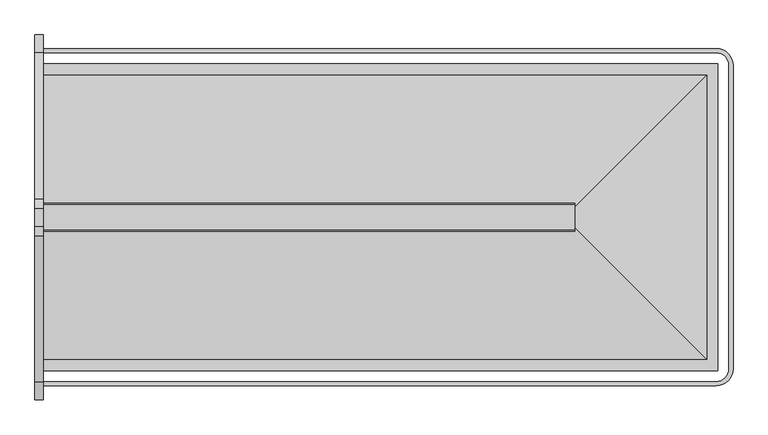
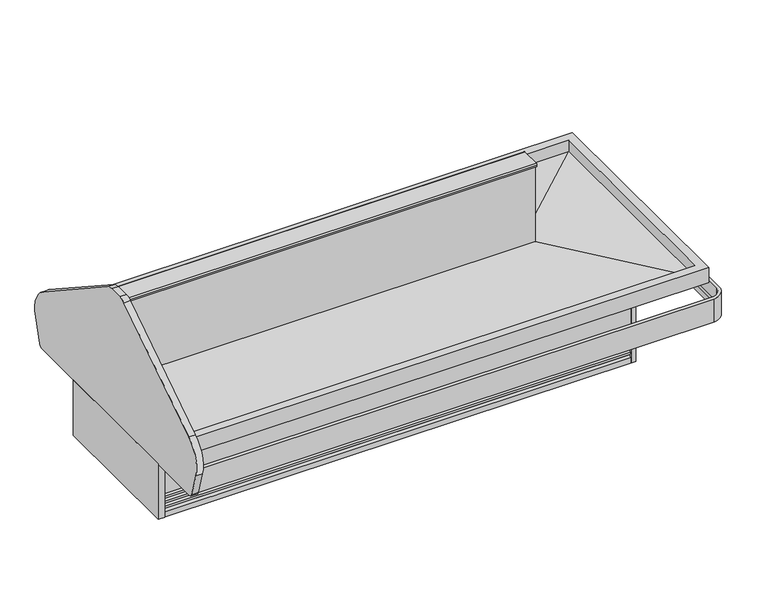
"""IFC4 building model written with IfcOpenShell, lengths in millimetres: proxy geometry."""

from ifc_helpers import new_model, si_unit, point, frame, frame_2d, origin, origin_with_axes, place, context, project, spatial, polyline, circle_curve, ellipse_curve, trimmed, segment, composite_curve, outline, extrude, faceted_brep, source, transform, mapped, element, save
from ifc_brep_helpers import plane_surface, cylinder_surface, revolved_surface, advanced_brep


def mechanical_equipment_ce5c7f4b(model_context):
    return source(origin(), model_context, "Body", "SolidModel", [
        extrude(outline(polyline([(2354.0471585, -1349.5419805), (2658.8471585, -1349.5419805), (2658.8471585, -1451.1419805), (2354.0471585, -1451.1419805), (2354.0471585, -1349.5419805)])), frame((0.0, 0.0, 139.7), z_axis=(0.0, 0.0, 1.0), x_axis=(1.0, 0.0, 0.0)), (0.0, 0.0, 1.0), 53.975),
        extrude(outline(polyline([(2750.5598969, -1584.9212739), (2750.5598969, -1559.5212739), (2777.3766466, -1559.5212739), (2777.3766466, -1584.9212739), (2750.5598969, -1584.9212739)])), origin_with_axes(), (0.0, 0.0, 1.0), 374.65),
        extrude(outline(polyline([(2750.5598969, -741.8679807), (2777.3766466, -741.8679807), (2777.3766466, -767.2679807), (2750.5598969, -767.2679807), (2750.5598969, -741.8679807)])), origin_with_axes(), (0.0, 0.0, 1.0), 374.65),
        extrude(outline(polyline([(0.0, -731.9819232), (0.0, -1595.5819232), (-38.1, -1595.5819232), (-38.1, -731.9819232), (0.0, -731.9819232)])), frame((0.0, 0.0, 6.9057478), z_axis=(0.0, 0.0, 1.0), x_axis=(1.0, 0.0, 0.0)), (0.0, 0.0, 1.0), 345.0493522),
        extrude(outline(composite_curve([segment(trimmed(circle_curve(frame_2d((-516.8439232, 562.0131)), 177.8), [point((-419.2796259, 710.653767))], [point((-346.4870073, 511.107686))], False, "CARTESIAN"), True, "CONTINUOUS"), segment(polyline([(-346.4870073, 511.107686), (-388.6275049, 370.082898)]), True, "CONTINUOUS"), segment(trimmed(circle_curve(frame_2d((-412.9642072, 377.3551)), 25.4), [point((-388.6275049, 370.082898))], [point((-412.9642072, 351.9551))], False, "CARTESIAN"), True, "CONTINUOUS"), segment(polyline([(-412.9642072, 351.9551), (-1914.5996393, 351.9551)]), True, "CONTINUOUS"), segment(trimmed(circle_curve(frame_2d((-1914.5996393, 377.3551)), 25.4), [point((-1914.5996393, 351.9551))], [point((-1938.9363416, 370.082898))], False, "CARTESIAN"), True, "CONTINUOUS"), segment(polyline([(-1938.9363416, 370.082898), (-1981.0768392, 511.107686)]), True, "CONTINUOUS"), segment(trimmed(circle_curve(frame_2d((-1810.7199232, 562.0131)), 177.8), [point((-1981.0768392, 511.107686))], [point((-1908.2842206, 710.653767))], False, "CARTESIAN"), True, "CONTINUOUS"), segment(polyline([(-1908.2842206, 710.653767), (-1246.8701935, 1144.790643)]), True, "CONTINUOUS"), segment(trimmed(circle_curve(frame_2d((-1205.0569232, 1081.0875)), 76.2), [point((-1246.8701935, 1144.790643))], [point((-1205.0569232, 1157.2875))], False, "CARTESIAN"), True, "CONTINUOUS"), segment(polyline([(-1205.0569232, 1157.2875), (-1122.5069232, 1157.2875)]), True, "CONTINUOUS"), segment(trimmed(circle_curve(frame_2d((-1122.5069232, 1081.0875)), 76.2), [point((-1122.5069232, 1157.2875))], [point((-1080.693653, 1144.790643))], False, "CARTESIAN"), True, "CONTINUOUS"), segment(polyline([(-1080.693653, 1144.790643), (-419.2796259, 710.653767)]), True, "CONTINUOUS")], self_intersect=False)), frame((-38.1, 0.0, 0.0), z_axis=(1.0, 0.0, 0.0), x_axis=(0.0, 1.0, 0.0)), (0.0, 0.0, 1.0), 38.1),
        advanced_brep(
        [(0.0, -420.1796936, 418.0867024), (0.0, -416.2093665, 395.5698585), (3041.7002227, -416.2093665, 395.5698585), (3041.7002227, -420.1796936, 418.0867024), (0.0, -420.1796936, 502.405218), (3041.7002227, -420.1796936, 502.405218), (0.0, -401.4773665, 502.405218), (3099.0649337, -477.5444046, 502.405218), (3099.0649337, -1849.24485, 502.405218), (3041.7002227, -1906.609561, 502.405218), (0.0, -1906.609561, 502.405218), (0.0, -1925.3118881, 502.405218), (3041.7002227, -1925.3118881, 502.405218), (3117.7672608, -1849.24485, 502.405218), (3117.7672608, -477.5444046, 502.405218), (3041.7002227, -401.4773665, 502.405218), (0.0, -401.4773665, 359.148946), (3041.7002227, -401.4773665, 359.148946), (0.0, -416.2093665, 359.148946), (3117.7672608, -477.5444046, 359.148946), (3117.7672608, -1849.24485, 359.148946), (3041.7002227, -1925.3118881, 359.148946), (0.0, -1925.3118881, 359.148946), (0.0, -1910.5798881, 359.148946), (3041.7002227, -1910.5798881, 359.148946), (3103.0352608, -1849.24485, 359.148946), (3103.0352608, -477.5444046, 359.148946), (3041.7002227, -416.2093665, 359.148946), (3099.0649337, -477.5444046, 418.0867024), (3103.0352608, -477.5444046, 395.5698585), (3103.0352608, -1849.24485, 395.5698585), (3099.0649337, -1849.24485, 418.0867024), (3041.7002227, -1906.609561, 418.0867024), (3041.7002227, -1910.5798881, 395.5698585), (0.0, -1910.5798881, 395.5698585), (0.0, -1906.609561, 418.0867024)],
        [
            (0, 1),
            (1, 2),
            (2, 3),
            (3, 0),
            (4, 0),
            (3, 5),
            (5, 4),
            (6, 4),
            (5, 7, circle_curve(frame((3041.7002227, -477.5444046, 502.405218), z_axis=(0.0, 0.0, -1.0), x_axis=(0.0, 1.0, 0.0)), 57.364711)),
            (7, 8),
            (8, 9, circle_curve(frame((3041.7002227, -1849.24485, 502.405218), z_axis=(0.0, 0.0, -1.0), x_axis=(1.0, 0.0, 0.0)), 57.364711)),
            (9, 10),
            (10, 11),
            (11, 12),
            (12, 13, circle_curve(frame((3041.7002227, -1849.24485, 502.405218), z_axis=(0.0, 0.0, 1.0), x_axis=(1.0, 0.0, 0.0)), 76.0670381)),
            (13, 14),
            (14, 15, circle_curve(frame((3041.7002227, -477.5444046, 502.405218), z_axis=(0.0, 0.0, 1.0), x_axis=(0.0, 1.0, 0.0)), 76.0670381)),
            (15, 6),
            (16, 6),
            (15, 17),
            (17, 16),
            (18, 16),
            (17, 19, circle_curve(frame((3041.7002227, -477.5444046, 359.148946), z_axis=(0.0, 0.0, -1.0), x_axis=(0.0, 1.0, 0.0)), 76.0670381)),
            (19, 20),
            (20, 21, circle_curve(frame((3041.7002227, -1849.24485, 359.148946), z_axis=(0.0, 0.0, -1.0), x_axis=(1.0, 0.0, 0.0)), 76.0670381)),
            (21, 22),
            (22, 23),
            (23, 24),
            (24, 25, circle_curve(frame((3041.7002227, -1849.24485, 359.148946), z_axis=(0.0, 0.0, 1.0), x_axis=(1.0, 0.0, 0.0)), 61.3350381)),
            (25, 26),
            (26, 27, circle_curve(frame((3041.7002227, -477.5444046, 359.148946), z_axis=(0.0, 0.0, 1.0), x_axis=(0.0, 1.0, 0.0)), 61.3350381)),
            (27, 18),
            (1, 18),
            (27, 2),
            (28, 3, circle_curve(frame((3041.7002227, -477.5444046, 418.0867024), z_axis=(0.0, 0.0, 1.0), x_axis=(0.0, 1.0, 0.0)), 57.364711)),
            (2, 29, circle_curve(frame((3041.7002227, -477.5444046, 395.5698585), z_axis=(0.0, 0.0, -1.0), x_axis=(0.0, 1.0, 0.0)), 61.3350381)),
            (29, 28),
            (28, 7),
            (14, 19),
            (26, 29),
            (29, 30),
            (30, 31),
            (31, 28),
            (31, 8),
            (13, 20),
            (25, 30),
            (32, 31, circle_curve(frame((3041.7002227, -1849.24485, 418.0867024), z_axis=(0.0, 0.0, 1.0), x_axis=(1.0, 0.0, 0.0)), 57.364711)),
            (30, 33, circle_curve(frame((3041.7002227, -1849.24485, 395.5698585), z_axis=(0.0, 0.0, -1.0), x_axis=(1.0, 0.0, 0.0)), 61.3350381)),
            (33, 32),
            (32, 9),
            (12, 21),
            (24, 33),
            (34, 23),
            (22, 11),
            (10, 35),
            (35, 34),
            (33, 34),
            (35, 32),
        ],
        [
            plane_surface(frame((0.0, -416.2093665, 395.5698585), z_axis=(0.0, -0.9848077530122059, -0.17364817766694265), x_axis=(1.0, 0.0, 0.0))),
            plane_surface(frame((0.0, -420.1796936, 418.0867024), z_axis=(0.0, -1.0, 0.0), x_axis=(1.0, 0.0, 0.0))),
            plane_surface(frame((0.0, -420.1796936, 502.405218), z_axis=(0.0, 0.0, 1.0), x_axis=(1.0, 0.0, 0.0))),
            plane_surface(frame((0.0, -401.4773665, 502.405218), z_axis=(0.0, 1.0, 0.0), x_axis=(1.0, 0.0, 0.0))),
            plane_surface(frame((0.0, -401.4773665, 359.148946), z_axis=(0.0, 0.0, -1.0), x_axis=(1.0, 0.0, 0.0))),
            plane_surface(frame((0.0, -416.2093665, 359.148946), z_axis=(0.0, -1.0, 0.0), x_axis=(1.0, 0.0, 0.0))),
            revolved_surface(polyline([(3041.7002227, -416.2093665, 395.5698585), (3041.7002227, -420.1796936, 418.0867024)]), (3041.7002227, -477.5444046, 0.0), (0.0, 0.0, -1.0)),
            revolved_surface(polyline([(3041.7002227, -420.1796936, 418.0867024), (3041.7002227, -420.1796936, 502.405218)]), (3041.7002227, -477.5444046, 0.0), (0.0, 0.0, -1.0)),
            cylinder_surface(frame((3041.7002227, -477.5444046, 0.0), z_axis=(0.0, 0.0, -1.0), x_axis=(0.0, 1.0, 0.0)), 76.0670381),
            revolved_surface(polyline([(3041.7002227, -416.2093665, 359.148946), (3041.7002227, -416.2093665, 395.5698585)]), (3041.7002227, -477.5444046, 0.0), (0.0, 0.0, -1.0)),
            plane_surface(frame((3103.0352608, -477.5444046, 395.5698585), z_axis=(-0.9848077530122059, 0.0, -0.17364817766694265), x_axis=(0.0, -1.0, 0.0))),
            plane_surface(frame((3099.0649337, -477.5444046, 418.0867024), z_axis=(-1.0, 0.0, 0.0), x_axis=(0.0, -1.0, 0.0))),
            plane_surface(frame((3117.7672608, -477.5444046, 502.405218), z_axis=(1.0, 0.0, 0.0), x_axis=(0.0, -1.0, 0.0))),
            plane_surface(frame((3103.0352608, -477.5444046, 359.148946), z_axis=(-1.0, 0.0, 0.0), x_axis=(0.0, -1.0, 0.0))),
            revolved_surface(polyline([(3103.0352608, -1849.24485, 395.5698585), (3099.0649337, -1849.24485, 418.0867024)]), (3041.7002227, -1849.24485, 0.0), (0.0, 0.0, -1.0)),
            revolved_surface(polyline([(3099.0649337, -1849.24485, 418.0867024), (3099.0649337, -1849.24485, 502.405218)]), (3041.7002227, -1849.24485, 0.0), (0.0, 0.0, -1.0)),
            cylinder_surface(frame((3041.7002227, -1849.24485, 0.0), z_axis=(0.0, 0.0, -1.0), x_axis=(1.0, 0.0, 0.0)), 76.0670381),
            revolved_surface(polyline([(3103.0352608, -1849.24485, 359.148946), (3103.0352608, -1849.24485, 395.5698585)]), (3041.7002227, -1849.24485, 0.0), (0.0, 0.0, -1.0)),
            plane_surface(frame((0.0, -1925.44485, 0.0), z_axis=(-1.0, 0.0, 0.0), x_axis=(0.0, 0.0, 1.0))),
            plane_surface(frame((3041.7002227, -1910.5798881, 395.5698585), z_axis=(0.0, 0.9848077530122059, -0.17364817766694265), x_axis=(-1.0, 0.0, 0.0))),
            plane_surface(frame((3041.7002227, -1906.609561, 418.0867024), z_axis=(0.0, 1.0, 0.0), x_axis=(-1.0, 0.0, 0.0))),
            plane_surface(frame((3041.7002227, -1925.3118881, 502.405218), z_axis=(0.0, -1.0, 0.0), x_axis=(-1.0, 0.0, 0.0))),
            plane_surface(frame((3041.7002227, -1910.5798881, 359.148946), z_axis=(0.0, 1.0, 0.0), x_axis=(-1.0, 0.0, 0.0))),
            plane_surface(frame((0.0, -401.3444046, 0.0), z_axis=(-1.0, 0.0, 0.0), x_axis=(0.0, 0.0, 1.0))),
        ],
        [
            (0, [[1, 2, 3, 4]]),
            (1, [[5, -4, 6, 7]]),
            (2, [[8, -7, 9, 10, 11, 12, 13, 14, 15, 16, 17, 18]]),
            (3, [[19, -18, 20, 21]]),
            (4, [[22, -21, 23, 24, 25, 26, 27, 28, 29, 30, 31, 32]]),
            (5, [[33, -32, 34, -2]]),
            (6, [[35, -3, 36, 37]]),
            (7, [[-9, -6, -35, 38]]),
            (8, [[-23, -20, -17, 39]]),
            (9, [[-36, -34, -31, 40]]),
            (10, [[-37, 41, 42, 43]]),
            (11, [[-38, -43, 44, -10]]),
            (12, [[-39, -16, 45, -24]]),
            (13, [[-40, -30, 46, -41]]),
            (14, [[47, -42, 48, 49]]),
            (15, [[-11, -44, -47, 50]]),
            (16, [[-25, -45, -15, 51]]),
            (17, [[-48, -46, -29, 52]]),
            (18, [[53, -27, 54, -13, 55, 56]]),
            (19, [[-49, 57, -56, 58]]),
            (20, [[-50, -58, -55, -12]]),
            (21, [[-51, -14, -54, -26]]),
            (22, [[-52, -28, -53, -57]]),
            (23, [[-1, -5, -8, -19, -22, -33]]),
        ],
    ),
        extrude(outline(composite_curve([segment(trimmed(circle_curve(frame_2d((1524.03601, -1163.895984)), 19.05), [point((1504.98601, -1163.895984))], [point((1543.08601, -1163.895984))], False, "CARTESIAN"), True, "CONTINUOUS"), segment(trimmed(circle_curve(frame_2d((1524.03601, -1163.895984)), 19.05), [point((1543.08601, -1163.895984))], [point((1504.98601, -1163.895984))], False, "CARTESIAN"), True, "CONTINUOUS")], self_intersect=False)), frame((0.0, 0.0, 76.8737583), z_axis=(0.0, 0.0, 1.0), x_axis=(1.0, 0.0, 0.0)), (0.0, 0.0, 1.0), 177.1262417),
        extrude(outline(composite_curve([segment(trimmed(circle_curve(frame_2d((1201.880696, -839.5446273)), 11.1125), [point((1190.768196, -839.5446273))], [point((1212.993196, -839.5446273))], False, "CARTESIAN"), True, "CONTINUOUS"), segment(trimmed(circle_curve(frame_2d((1201.880696, -839.5446273)), 11.1125), [point((1212.993196, -839.5446273))], [point((1190.768196, -839.5446273))], False, "CARTESIAN"), True, "CONTINUOUS")], self_intersect=False)), frame((0.0, 0.0, 76.8737583), z_axis=(0.0, 0.0, 1.0), x_axis=(1.0, 0.0, 0.0)), (0.0, 0.0, 1.0), 177.1262417),
        extrude(outline(composite_curve([segment(trimmed(circle_curve(frame_2d((1226.7403435, -839.5446273)), 4.7625), [point((1221.9778435, -839.5446273))], [point((1231.5028435, -839.5446273))], False, "CARTESIAN"), True, "CONTINUOUS"), segment(trimmed(circle_curve(frame_2d((1226.7403435, -839.5446273)), 4.7625), [point((1231.5028435, -839.5446273))], [point((1221.9778435, -839.5446273))], False, "CARTESIAN"), True, "CONTINUOUS")], self_intersect=False)), frame((0.0, 0.0, 76.8737583), z_axis=(0.0, 0.0, 1.0), x_axis=(1.0, 0.0, 0.0)), (0.0, 0.0, 1.0), 177.1262417),
        advanced_brep(
        [(0.0, -1584.6852943, 354.4616084), (0.0, -1584.6852943, 146.1174288), (2777.140667, -1584.6852943, 146.1174288), (2777.140667, -1584.6852943, 354.4616084), (0.0, -1565.1907943, 374.65), (0.0, -1565.1907943, 354.4616084), (2757.646167, -1565.1907943, 354.4616084), (2757.646167, -1565.1907943, 374.65), (0.0, -1465.3557062, 146.1174288), (0.0, -1465.3557062, 374.65), (2657.8110789, -1465.3557062, 374.65), (2657.8110789, -1465.3557062, 198.7540798), (2350.7491321, -1465.3557062, 198.7540798), (2350.7491321, -1465.3557062, 146.1174288), (2777.140667, -742.1039603, 146.1174288), (2777.140667, -742.1039603, 354.4616084), (2757.646167, -761.5984603, 354.4616084), (2757.646167, -761.5984603, 374.65), (2657.8110789, -861.4335484, 374.65), (2657.8110789, -861.4335484, 146.1174288), (2657.8110789, -1332.4893336, 146.1174288), (2657.8110789, -1332.4893336, 198.7540798), (0.0, -742.1039603, 354.4616084), (0.0, -742.1039603, 146.1174288), (0.0, -761.5984603, 354.4616084), (0.0, -761.5984603, 374.65), (0.0, -861.4335484, 374.65), (0.0, -861.4335484, 146.1174288), (1193.0263558, -861.4335484, 146.1174288), (1193.0263558, -861.4335484, 254.0), (1239.0236442, -861.4335484, 254.0), (1239.0236442, -861.4335484, 146.1174288), (1184.275, -839.5446273, 254.0), (1247.775, -839.5446273, 254.0), (1247.775, -839.5446273, 146.1174288), (1184.275, -839.5446273, 146.1174288), (2661.8991321, -1332.4893336, 198.7540798), (2661.8991321, -1468.1946273, 198.7540798), (2350.7491321, -1468.1946273, 198.7540798), (2661.8991321, -1468.1946273, 146.1174288), (2350.7491321, -1468.1946273, 146.1174288), (2661.8991321, -1332.4893336, 146.1174288)],
        [
            (0, 1),
            (1, 2),
            (2, 3),
            (3, 0),
            (4, 5),
            (5, 6),
            (6, 7),
            (7, 4),
            (8, 9),
            (9, 10),
            (10, 11),
            (11, 12),
            (12, 13),
            (13, 8),
            (2, 14),
            (14, 15),
            (15, 3),
            (6, 16),
            (16, 17),
            (17, 7),
            (10, 18),
            (18, 19),
            (19, 20),
            (20, 21),
            (21, 11),
            (22, 15),
            (14, 23),
            (23, 22),
            (16, 24),
            (24, 25),
            (25, 17),
            (18, 26),
            (26, 27),
            (27, 28),
            (28, 29),
            (29, 30),
            (30, 31),
            (31, 19),
            (32, 33, circle_curve(frame((1216.025, -839.5446273, 254.0), z_axis=(0.0, 0.0, -1.0), x_axis=(1.0, 0.0, 0.0)), 31.75)),
            (33, 30, circle_curve(frame((1216.025, -839.5446273, 254.0), z_axis=(0.0, 0.0, -1.0), x_axis=(1.0, 0.0, 0.0)), 31.75)),
            (29, 32, circle_curve(frame((1216.025, -839.5446273, 254.0), z_axis=(0.0, 0.0, -1.0), x_axis=(1.0, 0.0, 0.0)), 31.75)),
            (33, 34),
            (34, 31, circle_curve(frame((1216.025, -839.5446273, 146.1174288), z_axis=(0.0, 0.0, -1.0), x_axis=(1.0, 0.0, 0.0)), 31.75)),
            (28, 35, circle_curve(frame((1216.025, -839.5446273, 146.1174288), z_axis=(0.0, 0.0, -1.0), x_axis=(1.0, 0.0, 0.0)), 31.75)),
            (35, 32),
            (35, 34, circle_curve(frame((1216.025, -839.5446273, 146.1174288), z_axis=(0.0, 0.0, -1.0), x_axis=(1.0, 0.0, 0.0)), 31.75)),
            (36, 37),
            (37, 38),
            (38, 12),
            (21, 36),
            (37, 39),
            (39, 40),
            (40, 38),
            (36, 41),
            (41, 39),
            (20, 41),
            (40, 13),
            (0, 5),
            (4, 9),
            (8, 1),
            (22, 24),
            (25, 26),
            (27, 23),
        ],
        [
            plane_surface(frame((0.0, -1584.6852943, 146.1174288), z_axis=(0.0, -1.0, 0.0), x_axis=(1.0, 0.0, 0.0))),
            plane_surface(frame((0.0, -1565.1907943, 354.4616084), z_axis=(0.0, -1.0, 0.0), x_axis=(1.0, 0.0, 0.0))),
            plane_surface(frame((0.0, -1465.3557062, 374.65), z_axis=(0.0, 1.0, 0.0), x_axis=(1.0, 0.0, 0.0))),
            plane_surface(frame((2777.140667, -1584.6852943, 146.1174288), z_axis=(1.0, 0.0, 0.0), x_axis=(0.0, 1.0, 0.0))),
            plane_surface(frame((2757.646167, -1565.1907943, 354.4616084), z_axis=(1.0, 0.0, 0.0), x_axis=(0.0, 1.0, 0.0))),
            plane_surface(frame((2657.8110789, -1465.3557062, 374.65), z_axis=(-1.0, 0.0, 0.0), x_axis=(0.0, 1.0, 0.0))),
            plane_surface(frame((2777.140667, -742.1039603, 146.1174288), z_axis=(0.0, 1.0, 0.0), x_axis=(-1.0, 0.0, 0.0))),
            plane_surface(frame((2757.646167, -761.5984603, 354.4616084), z_axis=(0.0, 1.0, 0.0), x_axis=(-1.0, 0.0, 0.0))),
            plane_surface(frame((2657.8110789, -861.4335484, 374.65), z_axis=(0.0, -1.0, 0.0), x_axis=(-1.0, 0.0, 0.0))),
            plane_surface(frame((1247.775, -839.5446273, 254.0), z_axis=(0.0, 0.0, -1.0), x_axis=(0.0, 1.0, 0.0))),
            revolved_surface(polyline([(1247.775, -839.5446273, 254.0), (1247.775, -839.5446273, 146.1174288)]), (1216.025, -839.5446273, 0.0), (0.0, 0.0, 1.0)),
            plane_surface(frame((2661.8991321, -1468.1946273, 198.7540798), z_axis=(0.0, 0.0, -1.0), x_axis=(1.0, 0.0, 0.0))),
            plane_surface(frame((2350.7491321, -1468.1946273, 198.7540798), z_axis=(0.0, 1.0, 0.0), x_axis=(0.0, 0.0, -1.0))),
            plane_surface(frame((2661.8991321, -1468.1946273, 198.7540798), z_axis=(-1.0, 0.0, 0.0), x_axis=(0.0, 0.0, -1.0))),
            plane_surface(frame((2661.8991321, -1332.4893336, 198.7540798), z_axis=(0.0, -1.0, 0.0), x_axis=(0.0, 0.0, -1.0))),
            plane_surface(frame((2350.7491321, -1332.4893336, 198.7540798), z_axis=(1.0, 0.0, 0.0), x_axis=(0.0, 0.0, -1.0))),
            plane_surface(frame((0.0, -1977.7821273, 0.0), z_axis=(-1.0, 0.0, 0.0), x_axis=(0.0, 0.0, 1.0))),
            plane_surface(frame((0.0, -1584.6852943, 354.4616084), z_axis=(0.0, 0.0, 1.0), x_axis=(1.0, 0.0, 0.0))),
            plane_surface(frame((0.0, -1565.1907943, 374.65), z_axis=(0.0, 0.0, 1.0), x_axis=(1.0, 0.0, 0.0))),
            plane_surface(frame((0.0, -1465.3557062, 146.1174288), z_axis=(0.0, 0.0, -1.0), x_axis=(1.0, 0.0, 0.0))),
            plane_surface(frame((0.0, -349.0071273, 0.0), z_axis=(-1.0, 0.0, 0.0), x_axis=(0.0, 0.0, 1.0))),
        ],
        [
            (0, [[1, 2, 3, 4]]),
            (1, [[5, 6, 7, 8]]),
            (2, [[9, 10, 11, 12, 13, 14]]),
            (3, [[-3, 15, 16, 17]]),
            (4, [[18, 19, 20, -7]]),
            (5, [[21, 22, 23, 24, 25, -11]]),
            (6, [[26, -16, 27, 28]]),
            (7, [[29, 30, 31, -19]]),
            (8, [[32, 33, 34, 35, 36, 37, 38, -22]]),
            (9, [[39, 40, -36, 41]]),
            (10, [[-40, 42, 43, -37]]),
            (10, [[-41, -35, 44, 45]]),
            (10, [[-39, -45, 46, -42]]),
            (11, [[47, 48, 49, -12, -25, 50]]),
            (12, [[-48, 51, 52, 53]]),
            (13, [[-47, 54, 55, -51]]),
            (14, [[-50, -24, 56, -54]]),
            (15, [[-49, -53, 57, -13]]),
            (16, [[-1, 58, -5, 59, -9, 60]]),
            (17, [[-58, -4, -17, -26, 61, -29, -18, -6]]),
            (18, [[-59, -8, -20, -31, 62, -32, -21, -10]]),
            (19, [[-60, -14, -57, -52, -55, -56, -23, -38, -43, -46, -44, -34, 63, -27, -15, -2]]),
            (20, [[-61, -28, -63, -33, -62, -30]]),
        ],
    ),
        advanced_brep(
        [(2657.8110789, -861.4335484, 374.65), (2657.8110789, -824.9422387, 374.65), (2657.8110789, -824.9422387, 439.7810985), (2657.8110789, -1117.3508313, 429.0471023), (2657.8110789, -1117.3508313, 581.4120358), (2657.8110789, -1209.4384232, 581.4120358), (2657.8110789, -1209.4384232, 429.0471023), (2657.8110789, -1501.8470159, 439.7810985), (2657.8110789, -1501.8470159, 374.65), (2657.8110789, -1465.3557062, 374.65), (2657.8110789, -1465.3557062, 198.7540798), (2657.8110789, -1332.4893336, 198.7540798), (2657.8110789, -1332.4893336, 139.7), (2657.8110789, -861.4335484, 139.7), (0.0, -861.4335484, 374.65), (0.0, -861.4335484, 139.7), (0.0, -1465.3557062, 139.7), (0.0, -1465.3557062, 374.65), (0.0, -1501.8470159, 374.65), (0.0, -1501.8470159, 439.7810985), (0.0, -1209.4384232, 429.0471023), (0.0, -1209.4384232, 581.4120358), (0.0, -1117.3508313, 581.4120358), (0.0, -1117.3508313, 429.0471023), (0.0, -824.9422387, 439.7810985), (0.0, -824.9422387, 374.65), (2350.7491321, -1465.3557062, 139.7), (2350.7491321, -1465.3557062, 198.7540798), (1193.0263558, -861.4335484, 139.7), (1239.0236442, -861.4335484, 139.7), (2350.7491321, -1332.4893336, 139.7), (1498.6, -1163.895984, 139.7), (1549.4, -1163.895984, 139.7), (1239.0236442, -861.4335484, 254.0), (1193.0263558, -861.4335484, 254.0), (1498.6, -1163.895984, 254.0), (1549.4, -1163.895984, 254.0), (2350.7491321, -1332.4893336, 198.7540798)],
        [
            (0, 1),
            (1, 2),
            (2, 3),
            (3, 4),
            (4, 5),
            (5, 6),
            (6, 7),
            (7, 8),
            (8, 9),
            (9, 10),
            (10, 11),
            (11, 12),
            (12, 13),
            (13, 0),
            (14, 15),
            (15, 16),
            (16, 17),
            (17, 18),
            (18, 19),
            (19, 20),
            (20, 21),
            (21, 22),
            (22, 23),
            (23, 24),
            (24, 25),
            (25, 14),
            (0, 14),
            (25, 1),
            (3, 23),
            (22, 4),
            (21, 5),
            (20, 6),
            (16, 26),
            (26, 27),
            (27, 10),
            (9, 17),
            (15, 28),
            (28, 29, circle_curve(frame((1216.025, -839.5446273, 139.7), z_axis=(0.0, 0.0, 1.0), x_axis=(1.0, 0.0, 0.0)), 31.75)),
            (29, 13),
            (12, 30),
            (30, 26),
            (31, 32, circle_curve(frame((1524.0, -1163.895984, 139.7), z_axis=(0.0, 0.0, 1.0), x_axis=(1.0, 0.0, 0.0)), 25.4)),
            (32, 31, circle_curve(frame((1524.0, -1163.895984, 139.7), z_axis=(0.0, 0.0, 1.0), x_axis=(1.0, 0.0, 0.0)), 25.4)),
            (29, 33),
            (33, 34),
            (34, 28),
            (24, 2),
            (19, 7),
            (18, 8),
            (33, 34, circle_curve(frame((1216.025, -839.5446273, 254.0), z_axis=(0.0, 0.0, -1.0), x_axis=(1.0, 0.0, 0.0)), 31.75)),
            (35, 36, circle_curve(frame((1524.0, -1163.895984, 254.0), z_axis=(0.0, 0.0, -1.0), x_axis=(1.0, 0.0, 0.0)), 25.4)),
            (36, 35, circle_curve(frame((1524.0, -1163.895984, 254.0), z_axis=(0.0, 0.0, -1.0), x_axis=(1.0, 0.0, 0.0)), 25.4)),
            (36, 32),
            (31, 35),
            (27, 37),
            (37, 11),
            (37, 30),
        ],
        [
            plane_surface(frame((2657.8110789, -861.4335484, 374.65), z_axis=(1.0, 0.0, 0.0), x_axis=(0.0, 1.0, 0.0))),
            plane_surface(frame((0.0, -861.4335484, 374.65), z_axis=(-1.0, 0.0, 0.0), x_axis=(0.0, -1.0, 0.0))),
            plane_surface(frame((2657.8110789, -861.4335484, 374.65), z_axis=(0.0, 0.0, -1.0), x_axis=(-1.0, 0.0, 0.0))),
            plane_surface(frame((2657.8110789, -1117.3508313, 429.0471023), z_axis=(0.0, 1.0, 0.0), x_axis=(-1.0, 0.0, 0.0))),
            plane_surface(frame((2657.8110789, -1117.3508313, 581.4120358), z_axis=(0.0, 0.0, 1.0), x_axis=(-1.0, 0.0, 0.0))),
            plane_surface(frame((2657.8110789, -1209.4384232, 581.4120358), z_axis=(0.0, -1.0, 0.0), x_axis=(-1.0, 0.0, 0.0))),
            plane_surface(frame((2657.8110789, -1465.3557062, 374.65), z_axis=(0.0, -1.0, 0.0), x_axis=(-1.0, 0.0, 0.0))),
            plane_surface(frame((2657.8110789, -1465.3557062, 139.7), z_axis=(0.0, 0.0, -1.0), x_axis=(-1.0, 0.0, 0.0))),
            plane_surface(frame((2657.8110789, -861.4335484, 139.7), z_axis=(0.0, 1.0, 0.0), x_axis=(-1.0, 0.0, 0.0))),
            plane_surface(frame((2657.8110789, -824.9422387, 374.65), z_axis=(0.0, 1.0, 0.0), x_axis=(-1.0, 0.0, 0.0))),
            plane_surface(frame((2657.8110789, -824.9422387, 439.7810985), z_axis=(0.0, -0.036684186164122584, 0.9993269087168003), x_axis=(-1.0, 0.0, 0.0))),
            plane_surface(frame((2657.8110789, -1209.4384232, 429.0471023), z_axis=(0.0, 0.0366841861641127, 0.9993269087168006), x_axis=(-1.0, 0.0, 0.0))),
            plane_surface(frame((2657.8110789, -1501.8470159, 439.7810985), z_axis=(0.0, -1.0, 0.0), x_axis=(-1.0, 0.0, 0.0))),
            plane_surface(frame((2657.8110789, -1501.8470159, 374.65), z_axis=(0.0, 0.0, -1.0), x_axis=(-1.0, 0.0, 0.0))),
            plane_surface(frame((1247.775, -839.5446273, 254.0), z_axis=(0.0, 0.0, -1.0), x_axis=(0.0, 1.0, 0.0))),
            revolved_surface(polyline([(1247.775, -839.5446273, 254.0), (1247.775, -839.5446273, 139.7)]), (1216.025, -839.5446273, 0.0), (0.0, 0.0, 1.0)),
            plane_surface(frame((1549.4, -1163.895984, 254.0), z_axis=(0.0, 0.0, -1.0), x_axis=(0.0, 1.0, 0.0))),
            revolved_surface(polyline([(1549.4, -1163.895984, 254.0), (1549.4, -1163.895984, 139.7)]), (1524.0, -1163.895984, 0.0), (0.0, 0.0, 1.0)),
            plane_surface(frame((2661.8991321, -1468.1946273, 198.7540798), z_axis=(0.0, 0.0, -1.0), x_axis=(1.0, 0.0, 0.0))),
            plane_surface(frame((2661.8991321, -1332.4893336, 198.7540798), z_axis=(0.0, -1.0, 0.0), x_axis=(0.0, 0.0, -1.0))),
            plane_surface(frame((2350.7491321, -1332.4893336, 198.7540798), z_axis=(1.0, 0.0, 0.0), x_axis=(0.0, 0.0, -1.0))),
        ],
        [
            (0, [[1, 2, 3, 4, 5, 6, 7, 8, 9, 10, 11, 12, 13, 14]]),
            (1, [[15, 16, 17, 18, 19, 20, 21, 22, 23, 24, 25, 26]]),
            (2, [[-1, 27, -26, 28]]),
            (3, [[-4, 29, -23, 30]]),
            (4, [[-5, -30, -22, 31]]),
            (5, [[-6, -31, -21, 32]]),
            (6, [[-17, 33, 34, 35, -10, 36]]),
            (7, [[-16, 37, 38, 39, -13, 40, 41, -33], [42, 43]]),
            (8, [[-14, -39, 44, 45, 46, -37, -15, -27]]),
            (9, [[-2, -28, -25, 47]]),
            (10, [[-3, -47, -24, -29]]),
            (11, [[-7, -32, -20, 48]]),
            (12, [[-8, -48, -19, 49]]),
            (13, [[-9, -49, -18, -36]]),
            (14, [[50, -45]]),
            (15, [[-50, -44, -38, -46]]),
            (16, [[51, 52]]),
            (17, [[-52, 53, -42, 54]]),
            (17, [[-51, -54, -43, -53]]),
            (18, [[55, 56, -11, -35]]),
            (19, [[-56, 57, -40, -12]]),
            (20, [[-55, -34, -41, -57]]),
        ],
    ),
        advanced_brep(
        [(2777.3766466, -1584.9212739, 31.5422302), (2777.3766466, -1584.9212739, 0.0), (2777.3766466, -741.8679807, 0.0), (2777.3766466, -741.8679807, 31.5422302), (2763.7588436, -755.4857837, 41.1495431), (2763.7588436, -1571.3034709, 41.1495431), (2760.2697466, -758.9748807, 52.3148032), (2760.2697466, -1567.8143739, 52.3148032), (2770.9069418, -748.3376855, 50.1569804), (2770.9069418, -1578.4515691, 50.1569804), (2772.9008418, -1580.4454691, 62.8569804), (2772.9008418, -1580.4454691, 50.1569804), (2772.9008418, -746.3437855, 50.1569804), (2772.9008418, -746.3437855, 62.8569804), (2763.7588436, -755.4857837, 72.1217262), (2763.7588436, -1571.3034709, 72.1217262), (2760.2697466, -758.9748807, 83.2869863), (2760.2697466, -1567.8143739, 83.2869863), (2770.9069418, -748.3376855, 81.1291635), (2770.9069418, -1578.4515691, 81.1291635), (2772.9008418, -1580.4454691, 93.8291635), (2772.9008418, -1580.4454691, 81.1291635), (2772.9008418, -746.3437855, 81.1291635), (2772.9008418, -746.3437855, 93.8291635), (2763.7588436, -755.4857837, 103.0939093), (2763.7588436, -1571.3034709, 103.0939093), (2760.2697466, -758.9748807, 114.1327174), (2760.2697466, -1567.8143739, 114.1327174), (2770.9069418, -748.3376855, 112.1015335), (2770.9069418, -1578.4515691, 112.1015335), (2772.9008418, -1580.4454691, 124.8015335), (2772.9008418, -1580.4454691, 112.1015335), (2772.9008418, -746.3437855, 112.1015335), (2772.9008418, -746.3437855, 124.8015335), (2760.2697466, -758.9748807, 137.5013466), (2760.2697466, -1567.8143739, 137.5013466), (2760.2697466, -758.9748807, 146.1174288), (2760.2697466, -1567.8143739, 146.1174288), (2754.0971585, -1561.6417858, 0.0), (2754.0971585, -1561.6417858, 146.1174288), (2754.0971585, -765.1474688, 146.1174288), (2754.0971585, -765.1474688, 0.0), (0.0, -741.8679807, 0.0), (0.0, -741.8679807, 31.5422302), (0.0, -755.4857837, 41.1495431), (0.0, -758.9748807, 52.3148032), (0.0, -748.3376855, 50.1569804), (0.0, -746.3437855, 50.1569804), (0.0, -746.3437855, 62.8569804), (0.0, -755.4857837, 72.1217262), (0.0, -758.9748807, 83.2869863), (0.0, -748.3376855, 81.1291635), (0.0, -746.3437855, 81.1291635), (0.0, -746.3437855, 93.8291635), (0.0, -755.4857837, 103.0939093), (0.0, -758.9748807, 114.1327174), (0.0, -748.3376855, 112.1015335), (0.0, -746.3437855, 112.1015335), (0.0, -746.3437855, 124.8015335), (0.0, -758.9748807, 137.5013466), (0.0, -758.9748807, 146.1174288), (0.0, -765.1474688, 146.1174288), (0.0, -765.1474688, 0.0), (0.0, -1584.9212739, 31.5422302), (0.0, -1584.9212739, 0.0), (0.0, -1571.3034709, 41.1495431), (0.0, -1567.8143739, 52.3148032), (0.0, -1578.4515691, 50.1569804), (0.0, -1580.4454691, 50.1569804), (0.0, -1580.4454691, 62.8569804), (0.0, -1571.3034709, 72.1217262), (0.0, -1567.8143739, 83.2869863), (0.0, -1578.4515691, 81.1291635), (0.0, -1580.4454691, 81.1291635), (0.0, -1580.4454691, 93.8291635), (0.0, -1571.3034709, 103.0939093), (0.0, -1567.8143739, 114.1327174), (0.0, -1578.4515691, 112.1015335), (0.0, -1580.4454691, 112.1015335), (0.0, -1580.4454691, 124.8015335), (0.0, -1567.8143739, 137.5013466), (0.0, -1567.8143739, 146.1174288), (0.0, -1561.6417858, 146.1174288), (0.0, -1561.6417858, 0.0)],
        [
            (0, 1),
            (1, 2),
            (2, 3),
            (3, 0),
            (3, 4, ellipse_curve(frame((2776.0926808, -743.1519465, 44.1771593), z_axis=(-0.7071067811865475, 0.7071067811865475, 0.0), x_axis=(0.7071067811865474, 0.7071067811865476, 0.0)), 17.9605122, 12.7)),
            (4, 5),
            (5, 0, ellipse_curve(frame((2776.0926808, -1583.6373081, 44.1771593), z_axis=(-0.7071067811865475, -0.7071067811865475, 0.0), x_axis=(-0.7071067811865474, 0.7071067811865476, 0.0)), 17.9605122, 12.7)),
            (4, 6),
            (6, 7),
            (7, 5),
            (6, 8),
            (8, 9),
            (9, 7),
            (10, 11),
            (11, 12),
            (12, 13),
            (13, 10),
            (13, 14, ellipse_curve(frame((2776.0926808, -743.1519465, 75.1493424), z_axis=(-0.7071067811865475, 0.7071067811865475, 0.0), x_axis=(0.7071067811865474, 0.7071067811865476, 0.0)), 17.9605122, 12.7)),
            (14, 15),
            (15, 10, ellipse_curve(frame((2776.0926808, -1583.6373081, 75.1493424), z_axis=(-0.7071067811865475, -0.7071067811865475, 0.0), x_axis=(-0.7071067811865474, 0.7071067811865476, 0.0)), 17.9605122, 12.7)),
            (14, 16),
            (16, 17),
            (17, 15),
            (16, 18),
            (18, 19),
            (19, 17),
            (20, 21),
            (21, 22),
            (22, 23),
            (23, 20),
            (23, 24, ellipse_curve(frame((2776.0926808, -743.1519465, 106.1215255), z_axis=(-0.7071067811865475, 0.7071067811865475, 0.0), x_axis=(0.7071067811865474, 0.7071067811865476, 0.0)), 17.9605122, 12.7)),
            (24, 25),
            (25, 20, ellipse_curve(frame((2776.0926808, -1583.6373081, 106.1215255), z_axis=(-0.7071067811865475, -0.7071067811865475, 0.0), x_axis=(-0.7071067811865474, 0.7071067811865476, 0.0)), 17.9605122, 12.7)),
            (24, 26),
            (26, 27),
            (27, 25),
            (26, 28),
            (28, 29),
            (29, 27),
            (30, 31),
            (31, 32),
            (32, 33),
            (33, 30),
            (33, 34, ellipse_curve(frame((2772.9697466, -746.2748807, 137.5013466), z_axis=(-0.7071067811865475, 0.7071067811865475, 0.0), x_axis=(0.7071067811865474, 0.7071067811865476, 0.0)), 17.9605122, 12.7)),
            (34, 35),
            (35, 30, ellipse_curve(frame((2772.9697466, -1580.5143739, 137.5013466), z_axis=(-0.7071067811865475, -0.7071067811865475, 0.0), x_axis=(-0.7071067811865474, 0.7071067811865476, 0.0)), 17.9605122, 12.7)),
            (34, 36),
            (36, 37),
            (37, 35),
            (38, 39),
            (39, 40),
            (40, 41),
            (41, 38),
            (42, 43),
            (43, 3),
            (2, 42),
            (43, 44, circle_curve(frame((0.0, -743.1519465, 44.1771593), z_axis=(-1.0, 0.0, 0.0), x_axis=(0.0, -1.0, 0.0)), 12.7)),
            (44, 4),
            (44, 45),
            (45, 6),
            (45, 46),
            (46, 8),
            (47, 48),
            (48, 13),
            (12, 47),
            (48, 49, circle_curve(frame((0.0, -743.1519465, 75.1493424), z_axis=(-1.0, 0.0, 0.0), x_axis=(0.0, -1.0, 0.0)), 12.7)),
            (49, 14),
            (49, 50),
            (50, 16),
            (50, 51),
            (51, 18),
            (52, 53),
            (53, 23),
            (22, 52),
            (53, 54, circle_curve(frame((0.0, -743.1519465, 106.1215255), z_axis=(-1.0, 0.0, 0.0), x_axis=(0.0, -1.0, 0.0)), 12.7)),
            (54, 24),
            (54, 55),
            (55, 26),
            (55, 56),
            (56, 28),
            (57, 58),
            (58, 33),
            (32, 57),
            (58, 59, circle_curve(frame((0.0, -746.2748807, 137.5013466), z_axis=(-1.0, 0.0, 0.0), x_axis=(0.0, -1.0, 0.0)), 12.7)),
            (59, 34),
            (59, 60),
            (60, 36),
            (61, 62),
            (62, 41),
            (40, 61),
            (63, 64),
            (64, 1),
            (0, 63),
            (65, 63, circle_curve(frame((0.0, -1583.6373081, 44.1771593), z_axis=(-1.0, 0.0, 0.0), x_axis=(0.0, 1.0, 0.0)), 12.7)),
            (5, 65),
            (66, 65),
            (7, 66),
            (67, 66),
            (9, 67),
            (68, 67),
            (46, 47),
            (11, 68),
            (69, 68),
            (10, 69),
            (70, 69, circle_curve(frame((0.0, -1583.6373081, 75.1493424), z_axis=(-1.0, 0.0, 0.0), x_axis=(0.0, 1.0, 0.0)), 12.7)),
            (15, 70),
            (71, 70),
            (17, 71),
            (72, 71),
            (19, 72),
            (73, 72),
            (51, 52),
            (21, 73),
            (74, 73),
            (20, 74),
            (75, 74, circle_curve(frame((0.0, -1583.6373081, 106.1215255), z_axis=(-1.0, 0.0, 0.0), x_axis=(0.0, 1.0, 0.0)), 12.7)),
            (25, 75),
            (76, 75),
            (27, 76),
            (77, 76),
            (29, 77),
            (78, 77),
            (56, 57),
            (31, 78),
            (79, 78),
            (30, 79),
            (80, 79, circle_curve(frame((0.0, -1580.5143739, 137.5013466), z_axis=(-1.0, 0.0, 0.0), x_axis=(0.0, 1.0, 0.0)), 12.7)),
            (35, 80),
            (81, 80),
            (37, 81),
            (82, 81),
            (60, 61),
            (39, 82),
            (83, 82),
            (38, 83),
            (64, 83),
            (62, 42),
        ],
        [
            plane_surface(frame((2777.3766466, -1584.9212739, 0.0), z_axis=(1.0, 0.0, 0.0), x_axis=(0.0, 1.0, 0.0))),
            revolved_surface(polyline([(2763.3926808, -730.4519465297965, 44.1771593), (2763.3926808, -1596.3373080702036, 44.1771593)]), (2776.0926808, -1977.7821273, 44.1771593), (0.0, 1.0, 0.0)),
            plane_surface(frame((2763.7588436, -1571.3034709, 41.1495431), z_axis=(0.9544811145040103, 0.0, 0.2982713564108735), x_axis=(0.0, 1.0, 0.0))),
            plane_surface(frame((2760.2697466, -1567.8143739, 52.3148032), z_axis=(-0.1988070788770616, 0.0, -0.9800386448443601), x_axis=(0.0, 1.0, 0.0))),
            plane_surface(frame((2772.9008418, -1580.4454691, 50.1569804), z_axis=(1.0, 0.0, 0.0), x_axis=(0.0, 1.0, 0.0))),
            revolved_surface(polyline([(2763.3926808, -730.4519465297965, 75.1493424), (2763.3926808, -1596.3373080702036, 75.1493424)]), (2776.0926808, -1977.7821273, 75.1493424), (0.0, 1.0, 0.0)),
            plane_surface(frame((2763.7588436, -1571.3034709, 72.1217262), z_axis=(0.9544811145040911, 0.0, 0.29827135641061525), x_axis=(0.0, 1.0, 0.0))),
            plane_surface(frame((2760.2697466, -1567.8143739, 83.2869863), z_axis=(-0.19880707887706084, 0.0, -0.9800386448443603), x_axis=(0.0, 1.0, 0.0))),
            plane_surface(frame((2772.9008418, -1580.4454691, 81.1291635), z_axis=(1.0, 0.0, 0.0), x_axis=(0.0, 1.0, 0.0))),
            revolved_surface(polyline([(2763.3926808, -730.4519465297965, 106.1215255), (2763.3926808, -1596.3373080702036, 106.1215255)]), (2776.0926808, -1977.7821273, 106.1215255), (0.0, 1.0, 0.0)),
            plane_surface(frame((2763.7588436, -1571.3034709, 103.0939093), z_axis=(0.9535043111327923, 0.0, 0.301379376618871), x_axis=(0.0, 1.0, 0.0))),
            plane_surface(frame((2760.2697466, -1567.8143739, 114.1327174), z_axis=(-0.18756221551811014, 0.0, -0.9822527247658507), x_axis=(0.0, 1.0, 0.0))),
            plane_surface(frame((2772.9008418, -1580.4454691, 112.1015335), z_axis=(1.0, 0.0, 0.0), x_axis=(0.0, 1.0, 0.0))),
            revolved_surface(polyline([(2760.2697466, -733.5748807297964, 137.5013466), (2760.2697466, -1593.2143738702036, 137.5013466)]), (2772.9697466, -1977.7821273, 137.5013466), (0.0, 1.0, 0.0)),
            plane_surface(frame((2760.2697466, -1567.8143739, 137.5013466), z_axis=(1.0, 0.0, 0.0), x_axis=(0.0, 1.0, 0.0))),
            plane_surface(frame((2754.0971585, -1561.6417858, 146.1174288), z_axis=(-1.0, 0.0, 0.0), x_axis=(0.0, 1.0, 0.0))),
            plane_surface(frame((2777.3766466, -741.8679807, 0.0), z_axis=(0.0, 1.0, 0.0), x_axis=(-1.0, 0.0, 0.0))),
            revolved_surface(polyline([(0.0, -755.8519465, 44.1771593), (2788.792680770204, -755.8519465, 44.1771593)]), (3170.2375, -743.1519465, 44.1771593), (-1.0, 0.0, 0.0)),
            plane_surface(frame((2763.7588436, -755.4857837, 41.1495431), z_axis=(0.0, 0.9544811145040103, 0.2982713564108735), x_axis=(-1.0, 0.0, 0.0))),
            plane_surface(frame((2760.2697466, -758.9748807, 52.3148032), z_axis=(0.0, -0.1988070788770616, -0.9800386448443601), x_axis=(-1.0, 0.0, 0.0))),
            plane_surface(frame((2772.9008418, -746.3437855, 50.1569804), z_axis=(0.0, 1.0, 0.0), x_axis=(-1.0, 0.0, 0.0))),
            revolved_surface(polyline([(0.0, -755.8519465, 75.1493424), (2788.792680770204, -755.8519465, 75.1493424)]), (3170.2375, -743.1519465, 75.1493424), (-1.0, 0.0, 0.0)),
            plane_surface(frame((2763.7588436, -755.4857837, 72.1217262), z_axis=(0.0, 0.9544811145040911, 0.29827135641061525), x_axis=(-1.0, 0.0, 0.0))),
            plane_surface(frame((2760.2697466, -758.9748807, 83.2869863), z_axis=(0.0, -0.19880707887706084, -0.9800386448443603), x_axis=(-1.0, 0.0, 0.0))),
            plane_surface(frame((2772.9008418, -746.3437855, 81.1291635), z_axis=(0.0, 1.0, 0.0), x_axis=(-1.0, 0.0, 0.0))),
            revolved_surface(polyline([(0.0, -755.8519465, 106.1215255), (2788.792680770204, -755.8519465, 106.1215255)]), (3170.2375, -743.1519465, 106.1215255), (-1.0, 0.0, 0.0)),
            plane_surface(frame((2763.7588436, -755.4857837, 103.0939093), z_axis=(0.0, 0.9535043111327923, 0.301379376618871), x_axis=(-1.0, 0.0, 0.0))),
            plane_surface(frame((2760.2697466, -758.9748807, 114.1327174), z_axis=(0.0, -0.18756221551811014, -0.9822527247658507), x_axis=(-1.0, 0.0, 0.0))),
            plane_surface(frame((2772.9008418, -746.3437855, 112.1015335), z_axis=(0.0, 1.0, 0.0), x_axis=(-1.0, 0.0, 0.0))),
            revolved_surface(polyline([(0.0, -758.9748807000001, 137.5013466), (2785.6697465702036, -758.9748807000001, 137.5013466)]), (3170.2375, -746.2748807, 137.5013466), (-1.0, 0.0, 0.0)),
            plane_surface(frame((2760.2697466, -758.9748807, 137.5013466), z_axis=(0.0, 1.0, 0.0), x_axis=(-1.0, 0.0, 0.0))),
            plane_surface(frame((2754.0971585, -765.1474688, 146.1174288), z_axis=(0.0, -1.0, 0.0), x_axis=(-1.0, 0.0, 0.0))),
            plane_surface(frame((0.0, -1584.9212739, 0.0), z_axis=(0.0, -1.0, 0.0), x_axis=(1.0, 0.0, 0.0))),
            revolved_surface(polyline([(2788.792680770204, -1570.9373080999999, 44.1771593), (0.0, -1570.9373080999999, 44.1771593)]), (0.0, -1583.6373081, 44.1771593), (1.0, 0.0, 0.0)),
            plane_surface(frame((0.0, -1571.3034709, 41.1495431), z_axis=(0.0, -0.9544811145040103, 0.2982713564108735), x_axis=(1.0, 0.0, 0.0))),
            plane_surface(frame((0.0, -1567.8143739, 52.3148032), z_axis=(0.0, 0.1988070788770616, -0.9800386448443601), x_axis=(1.0, 0.0, 0.0))),
            plane_surface(frame((0.0, -1578.4515691, 50.1569804), z_axis=(0.0, 0.0, -1.0), x_axis=(1.0, 0.0, 0.0))),
            plane_surface(frame((0.0, -1580.4454691, 50.1569804), z_axis=(0.0, -1.0, 0.0), x_axis=(1.0, 0.0, 0.0))),
            revolved_surface(polyline([(2788.792680770204, -1570.9373080999999, 75.1493424), (0.0, -1570.9373080999999, 75.1493424)]), (0.0, -1583.6373081, 75.1493424), (1.0, 0.0, 0.0)),
            plane_surface(frame((0.0, -1571.3034709, 72.1217262), z_axis=(0.0, -0.9544811145040911, 0.29827135641061525), x_axis=(1.0, 0.0, 0.0))),
            plane_surface(frame((0.0, -1567.8143739, 83.2869863), z_axis=(0.0, 0.19880707887706084, -0.9800386448443603), x_axis=(1.0, 0.0, 0.0))),
            plane_surface(frame((0.0, -1578.4515691, 81.1291635), z_axis=(0.0, 0.0, -1.0), x_axis=(1.0, 0.0, 0.0))),
            plane_surface(frame((0.0, -1580.4454691, 81.1291635), z_axis=(0.0, -1.0, 0.0), x_axis=(1.0, 0.0, 0.0))),
            revolved_surface(polyline([(2788.792680770204, -1570.9373080999999, 106.1215255), (0.0, -1570.9373080999999, 106.1215255)]), (0.0, -1583.6373081, 106.1215255), (1.0, 0.0, 0.0)),
            plane_surface(frame((0.0, -1571.3034709, 103.0939093), z_axis=(0.0, -0.9535043111327923, 0.301379376618871), x_axis=(1.0, 0.0, 0.0))),
            plane_surface(frame((0.0, -1567.8143739, 114.1327174), z_axis=(0.0, 0.18756221551811014, -0.9822527247658507), x_axis=(1.0, 0.0, 0.0))),
            plane_surface(frame((0.0, -1578.4515691, 112.1015335), z_axis=(0.0, 0.0, -1.0), x_axis=(1.0, 0.0, 0.0))),
            plane_surface(frame((0.0, -1580.4454691, 112.1015335), z_axis=(0.0, -1.0, 0.0), x_axis=(1.0, 0.0, 0.0))),
            revolved_surface(polyline([(2785.6697465702036, -1567.8143739, 137.5013466), (0.0, -1567.8143739, 137.5013466)]), (0.0, -1580.5143739, 137.5013466), (1.0, 0.0, 0.0)),
            plane_surface(frame((0.0, -1567.8143739, 137.5013466), z_axis=(0.0, -1.0, 0.0), x_axis=(1.0, 0.0, 0.0))),
            plane_surface(frame((0.0, -1567.8143739, 146.1174288), z_axis=(0.0, 0.0, 1.0), x_axis=(1.0, 0.0, 0.0))),
            plane_surface(frame((0.0, -1561.6417858, 146.1174288), z_axis=(0.0, 1.0, 0.0), x_axis=(1.0, 0.0, 0.0))),
            plane_surface(frame((0.0, -1561.6417858, 0.0), z_axis=(0.0, 0.0, -1.0), x_axis=(1.0, 0.0, 0.0))),
            plane_surface(frame((0.0, -1977.7821273, 0.0), z_axis=(-1.0, 0.0, 0.0), x_axis=(0.0, 0.0, 1.0))),
            plane_surface(frame((0.0, -349.0071273, 0.0), z_axis=(-1.0, 0.0, 0.0), x_axis=(0.0, 0.0, 1.0))),
        ],
        [
            (0, [[1, 2, 3, 4]]),
            (1, [[-4, 5, 6, 7]]),
            (2, [[-6, 8, 9, 10]]),
            (3, [[-9, 11, 12, 13]]),
            (4, [[14, 15, 16, 17]]),
            (5, [[-17, 18, 19, 20]]),
            (6, [[-19, 21, 22, 23]]),
            (7, [[-22, 24, 25, 26]]),
            (8, [[27, 28, 29, 30]]),
            (9, [[-30, 31, 32, 33]]),
            (10, [[-32, 34, 35, 36]]),
            (11, [[-35, 37, 38, 39]]),
            (12, [[40, 41, 42, 43]]),
            (13, [[-43, 44, 45, 46]]),
            (14, [[-45, 47, 48, 49]]),
            (15, [[50, 51, 52, 53]]),
            (16, [[54, 55, -3, 56]]),
            (17, [[57, 58, -5, -55]]),
            (18, [[59, 60, -8, -58]]),
            (19, [[61, 62, -11, -60]]),
            (20, [[63, 64, -16, 65]]),
            (21, [[66, 67, -18, -64]]),
            (22, [[68, 69, -21, -67]]),
            (23, [[70, 71, -24, -69]]),
            (24, [[72, 73, -29, 74]]),
            (25, [[75, 76, -31, -73]]),
            (26, [[77, 78, -34, -76]]),
            (27, [[79, 80, -37, -78]]),
            (28, [[81, 82, -42, 83]]),
            (29, [[84, 85, -44, -82]]),
            (30, [[86, 87, -47, -85]]),
            (31, [[88, 89, -52, 90]]),
            (32, [[91, 92, -1, 93]]),
            (33, [[94, -93, -7, 95]]),
            (34, [[96, -95, -10, 97]]),
            (35, [[98, -97, -13, 99]]),
            (36, [[100, -99, -12, -62, 101, -65, -15, 102]]),
            (37, [[103, -102, -14, 104]]),
            (38, [[105, -104, -20, 106]]),
            (39, [[107, -106, -23, 108]]),
            (40, [[109, -108, -26, 110]]),
            (41, [[111, -110, -25, -71, 112, -74, -28, 113]]),
            (42, [[114, -113, -27, 115]]),
            (43, [[116, -115, -33, 117]]),
            (44, [[118, -117, -36, 119]]),
            (45, [[120, -119, -39, 121]]),
            (46, [[122, -121, -38, -80, 123, -83, -41, 124]]),
            (47, [[125, -124, -40, 126]]),
            (48, [[127, -126, -46, 128]]),
            (49, [[129, -128, -49, 130]]),
            (50, [[131, -130, -48, -87, 132, -90, -51, 133]]),
            (51, [[134, -133, -50, 135]]),
            (52, [[136, -135, -53, -89, 137, -56, -2, -92]]),
            (53, [[-91, -94, -96, -98, -100, -103, -105, -107, -109, -111, -114, -116, -118, -120, -122, -125, -127, -129, -131, -134, -136]]),
            (54, [[-137, -88, -132, -86, -84, -81, -123, -79, -77, -75, -72, -112, -70, -68, -66, -63, -101, -61, -59, -57, -54]]),
        ],
    ),
        extrude(outline(composite_curve([segment(polyline([(-1118.1254232, 1126.34395), (-1118.1254232, 581.4120358), (-1209.4384232, 581.4120358), (-1209.4384232, 1126.34395), (-1228.0693232, 1126.34395), (-1228.0693232, 1137.4501)]), True, "CONTINUOUS"), segment(trimmed(circle_curve(frame_2d((-1220.9319232, 1137.4501)), 7.1374), [point((-1228.0693232, 1137.4501))], [point((-1220.9319232, 1144.5875))], False, "CARTESIAN"), True, "CONTINUOUS"), segment(polyline([(-1220.9319232, 1144.5875), (-1106.6319232, 1144.5875)]), True, "CONTINUOUS"), segment(trimmed(circle_curve(frame_2d((-1106.6319232, 1137.4501)), 7.1374), [point((-1106.6319232, 1144.5875))], [point((-1099.4945232, 1137.4501))], False, "CARTESIAN"), True, "CONTINUOUS"), segment(polyline([(-1099.4945232, 1137.4501), (-1099.4945232, 1126.34395), (-1118.1254232, 1126.34395)]), True, "CONTINUOUS")], self_intersect=False)), frame((0.0, 0.0, 0.0), z_axis=(1.0, 0.0, 0.0), x_axis=(0.0, 1.0, 0.0)), (0.0, 0.0, 1.0), 2401.893796),
        faceted_brep([(0.0, -1209.4384232, 648.8884047), (0.0, -1209.4384232, 429.0471023), (0.0, -1693.8123969, 446.8279354), (0.0, -1856.8739438, 561.0048878), (0.0, -1856.8739438, 652.4421919), (0.0, -1807.773253, 652.4421919), (0.0, -1807.773253, 581.4120358), (0.0, -1117.3508313, 648.8884047), (0.0, -519.0160016, 581.4120358), (0.0, -519.0160016, 652.4421919), (0.0, -469.9153108, 652.4421919), (0.0, -469.9153108, 561.0048878), (0.0, -632.9768577, 446.8279354), (0.0, -1117.3508313, 429.0471023), (2401.893796, -1209.4384232, 429.0471023), (2401.893796, -1209.4384232, 648.8884047), (2401.893796, -1117.3508313, 648.8884047), (2401.893796, -1117.3508313, 429.0471023), (2886.2677696, -1693.8123969, 446.8279354), (2886.2677696, -632.9768577, 446.8279354), (3049.3293165, -1856.8739438, 561.0048878), (3049.3293165, -469.9153108, 561.0048878), (3049.3293165, -1856.8739438, 652.4421919), (3049.3293165, -469.9153108, 652.4421919), (3000.2286257, -1807.773253, 581.4120358), (3000.2286257, -1807.773253, 652.4421919), (3000.2286257, -519.0160016, 652.4421919), (3000.2286257, -519.0160016, 581.4120358)], [[[0, 1, 2, 3, 4, 5, 6]], [[7, 8, 9, 10, 11, 12, 13]], [[14, 15, 16, 17]], [[18, 14, 17, 19]], [[20, 18, 19, 21]], [[22, 20, 21, 23]], [[24, 25, 26, 27]], [[15, 24, 27, 16]], [[17, 16, 7, 13]], [[19, 17, 13, 12]], [[21, 19, 12, 11]], [[23, 21, 11, 10]], [[27, 26, 9, 8]], [[16, 27, 8, 7]], [[1, 0, 15, 14]], [[2, 1, 14, 18]], [[3, 2, 18, 20]], [[4, 3, 20, 22]], [[5, 4, 22, 23, 10, 9, 26, 25]], [[6, 5, 25, 24]], [[0, 6, 24, 15]]]),
    ])


if __name__ == "__main__":
    model = new_model("IFC4")
    model_context = context("Model", 3, world=origin())
    ifc_project = project(units=[si_unit("LENGTHUNIT", "METRE", prefix="MILLI")], contexts=[model_context])
    site = spatial("IfcSite", under=ifc_project)
    building = spatial("IfcBuilding", under=site)
    placement = place(None, origin())
    mechanical_equipment_shape = mechanical_equipment_ce5c7f4b(model_context)
    element("IfcBuildingElementProxy", 1, Name="Mechanical Equipment", at=placement, inside=building, context=model_context, shape_type="MappedRepresentation", body=[
        mapped(mechanical_equipment_shape, transform((0.0, 0.0, 0.0), x_axis=(1.0, 0.0, 0.0), y_axis=(0.0, 1.0, 0.0), z_axis=(0.0, 0.0, 1.0))),
    ])
    save(model, "model.ifc")
